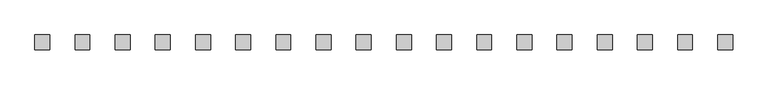
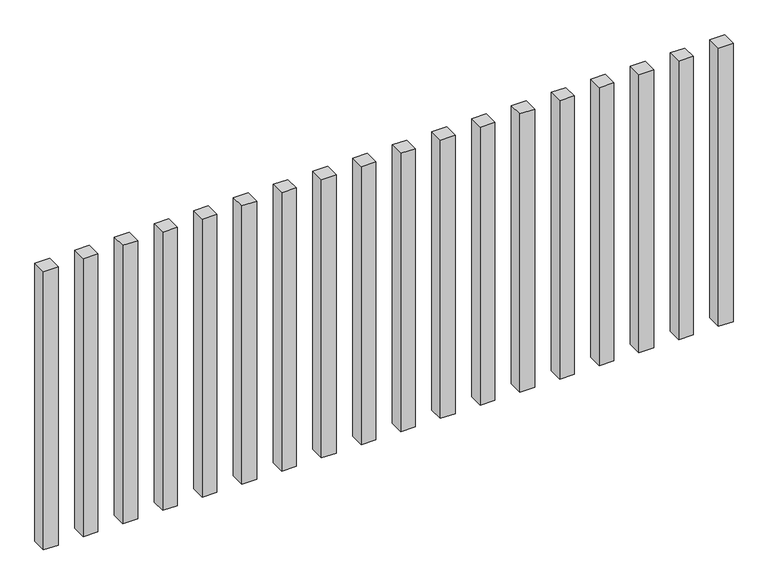
"""IFC4 building model written with IfcOpenShell, lengths in millimetres: railing geometry."""

import ifcopenshell
import ifcopenshell.guid

model = None  # the IFC model being written
_history = None  # IfcOwnerHistory: only IFC2X3 demands one
_inside = {}  # id of a spatial element -> (the spatial element, [elements in it])
_under = {}  # id of a project, library or spatial element -> (it, [spatial elements below it])
_declared = {}  # id of a project -> (the project, [libraries it declares])
_typed = {}  # id of a type object -> (the type object, [elements of that type])
_made_of = {}  # id of a material, layer set ... -> (it, [elements and type objects made of it])


def new_model(schema):
    """Start an empty IFC model of exactly this schema.

    Asked for "IFC4X3", IfcOpenShell would pick the latest addendum, in which some entities
    have other attributes; the version numbers below select the first issue.
    IFC2X3 requires an IfcOwnerHistory on every rooted entity: one is made here for all.
    """
    global model, _history
    if schema == "IFC4X3":
        model = ifcopenshell.file(schema_version=(4, 3, 0, 0))
    else:
        model = ifcopenshell.file(schema=schema)
    _inside.clear()
    _under.clear()
    _declared.clear()
    _typed.clear()
    _made_of.clear()
    _history = None
    if model.schema == "IFC2X3":
        org = make("IfcOrganization", Name="unknown")
        user = make(
            "IfcPersonAndOrganization",
            ThePerson=make("IfcPerson", FamilyName="unknown"),
            TheOrganization=org,
        )
        app = make(
            "IfcApplication",
            ApplicationDeveloper=org,
            Version="unknown",
            ApplicationFullName="unknown",
            ApplicationIdentifier="unknown",
        )
        _history = make(
            "IfcOwnerHistory",
            OwningUser=user,
            OwningApplication=app,
            ChangeAction="ADDED",
            CreationDate=0,
        )
    return model


def make(cls, **values):
    """One entity of the class cls with the attributes given. An attribute that is None is left unset."""
    return model.create_entity(
        cls, **{name: value for name, value in values.items() if value is not None}
    )


def rooted(cls, **values):
    """An entity with a GlobalId (a new one), such as an element, a storey or a relation."""
    return make(cls, GlobalId=ifcopenshell.guid.new(), OwnerHistory=_history, **values)


def si_unit(unit_type, name, prefix=None):
    """IfcSIUnit, for example si_unit("LENGTHUNIT", "METRE", prefix="MILLI")."""
    return make("IfcSIUnit", UnitType=unit_type, Prefix=prefix, Name=name)


def assignment(units):
    """IfcUnitAssignment: the units of a project."""
    return None if units is None else make("IfcUnitAssignment", Units=units)


def point(xyz):
    """IfcCartesianPoint."""
    return None if xyz is None else make("IfcCartesianPoint", Coordinates=xyz)


def direction(xyz):
    """IfcDirection."""
    return None if xyz is None else make("IfcDirection", DirectionRatios=xyz)


def frame(location, z_axis=None, x_axis=None):
    """IfcAxis2Placement3D, a coordinate frame: its origin and axes. An axis left out is left unset."""
    return make(
        "IfcAxis2Placement3D",
        Location=point(location),
        Axis=direction(z_axis),
        RefDirection=direction(x_axis),
    )


def origin():
    """The frame at (0, 0, 0) with its axes left unset."""
    return frame((0.0, 0.0, 0.0))


def origin_with_axes():
    """The frame at (0, 0, 0) with the z axis (0, 0, 1) and the x axis (1, 0, 0) written out."""
    return frame((0.0, 0.0, 0.0), z_axis=(0.0, 0.0, 1.0), x_axis=(1.0, 0.0, 0.0))


def place(relative_to, where):
    """IfcLocalPlacement: puts the frame where relative to a parent placement (None: the world)."""
    return make(
        "IfcLocalPlacement", PlacementRelTo=relative_to, RelativePlacement=where
    )


def context(
    kind, dimensions, precision=None, world=None, true_north=None, identifier=None
):
    """IfcGeometricRepresentationContext, for example the 3D "Model" context."""
    return make(
        "IfcGeometricRepresentationContext",
        ContextIdentifier=identifier,
        ContextType=kind,
        CoordinateSpaceDimension=dimensions,
        Precision=precision,
        WorldCoordinateSystem=world,
        TrueNorth=true_north,
    )


def project(units=None, contexts=None):
    """IfcProject with its units and contexts."""
    return rooted(
        "IfcProject",
        Name="project",
        RepresentationContexts=contexts,
        UnitsInContext=assignment(units),
    )


def spatial(cls, under=None, at=None, **own):
    """A site, building, storey or space (cls), placed at a placement, below another one or the project."""
    s = rooted(cls, ObjectPlacement=at, **own)
    if under is not None:
        _under.setdefault(under.id(), (under, []))[1].append(s)
    return s


def polyline(points):
    """IfcPolyline through the points."""
    return make("IfcPolyline", Points=[point(p) for p in points])


def outline(outer, holes=None, kind="AREA"):
    """IfcArbitraryClosedProfileDef: a profile drawn as a closed curve; with holes, ...WithVoids."""
    if holes is None:
        return make("IfcArbitraryClosedProfileDef", ProfileType=kind, OuterCurve=outer)
    return make(
        "IfcArbitraryProfileDefWithVoids",
        ProfileType=kind,
        OuterCurve=outer,
        InnerCurves=holes,
    )


def extrude(swept, where, along, depth):
    """IfcExtrudedAreaSolid: the profile swept, set in the frame where, extruded along a direction by depth."""
    return make(
        "IfcExtrudedAreaSolid",
        SweptArea=swept,
        Position=where,
        ExtrudedDirection=direction(along),
        Depth=depth,
    )


def shape(context_of_items, identifier, shape_type, items):
    """IfcShapeRepresentation: the items that make up one representation, for example the "Body"."""
    return make(
        "IfcShapeRepresentation",
        ContextOfItems=context_of_items,
        RepresentationIdentifier=identifier,
        RepresentationType=shape_type,
        Items=items,
    )


def source(mapping_origin, context_of_items, identifier, shape_type, items):
    """IfcRepresentationMap: a shape defined once, which mapped items show again and again."""
    return make(
        "IfcRepresentationMap",
        MappingOrigin=mapping_origin,
        MappedRepresentation=shape(context_of_items, identifier, shape_type, items),
    )


def transform(
    local_origin,
    x_axis=None,
    y_axis=None,
    z_axis=None,
    scale=None,
    scale2=None,
    scale3=None,
    uniform=True,
):
    """IfcCartesianTransformationOperator3D, or its non-uniform kind. x_axis, y_axis, z_axis: its Axis1, 2, 3."""
    if uniform:
        return make(
            "IfcCartesianTransformationOperator3D",
            Axis1=direction(x_axis),
            Axis2=direction(y_axis),
            LocalOrigin=point(local_origin),
            Scale=scale,
            Axis3=direction(z_axis),
        )
    return make(
        "IfcCartesianTransformationOperator3DnonUniform",
        Axis1=direction(x_axis),
        Axis2=direction(y_axis),
        LocalOrigin=point(local_origin),
        Scale=scale,
        Axis3=direction(z_axis),
        Scale2=scale2,
        Scale3=scale3,
    )


def mapped(mapping_source, mapping_target):
    """IfcMappedItem: shows the shape of a source again, moved by a transform."""
    return make(
        "IfcMappedItem", MappingSource=mapping_source, MappingTarget=mapping_target
    )


def made_of(thing, what):
    """Note that an element or type object is made of a material, layer set ...; save() writes the relation."""
    if what is not None:
        _made_of.setdefault(what.id(), (what, []))[1].append(thing)
    return thing


def element(
    cls,
    number,
    at=None,
    inside=None,
    cuts=None,
    type_object=None,
    material=None,
    context=None,
    identifier="Body",
    shape_type=None,
    held_by="IfcProductDefinitionShape",
    body=None,
    shapes=None,
    **own,
):
    """One element of the class cls, such as IfcWall. Its Tag is "e" and its number.

    at: its placement. inside: the storey or other place that contains it. cuts: it is an
    opening in that element (IfcRelVoidsElement). A single representation is given by context,
    identifier, shape_type and body (its items); several are given by shapes. held_by: the class
    of the entity that holds the representations. save() writes the other relations.
    """
    e = rooted(cls, Tag="e%d" % number, ObjectPlacement=at, **own)
    if body is not None:
        shapes = [shape(context, identifier, shape_type, body)]
    if shapes is not None:
        e.Representation = make(held_by, Representations=shapes)
    if inside is not None:
        _inside.setdefault(inside.id(), (inside, []))[1].append(e)
    if cuts is not None:
        rooted(
            "IfcRelVoidsElement", RelatingBuildingElement=cuts, RelatedOpeningElement=e
        )
    if type_object is not None:
        _typed.setdefault(type_object.id(), (type_object, []))[1].append(e)
    return made_of(e, material)


def aggregate(whole, parts):
    """IfcRelAggregates: a whole, such as a stair, and the parts it consists of."""
    return rooted("IfcRelAggregates", RelatingObject=whole, RelatedObjects=parts)


def save(model, path):
    """Write the relations noted so far, then the file.

    IfcRelAggregates (storeys below a building ...), IfcRelContainedInSpatialStructure (elements
    in a storey), IfcRelDefinesByType, IfcRelAssociatesMaterial and IfcRelDeclares: one each for
    every whole, place, type object, material and project.
    """
    for whole, parts in _under.values():
        aggregate(whole, parts)
    for where, things in _inside.values():
        rooted(
            "IfcRelContainedInSpatialStructure",
            RelatedElements=things,
            RelatingStructure=where,
        )
    for kind, things in _typed.values():
        rooted("IfcRelDefinesByType", RelatedObjects=things, RelatingType=kind)
    for what, things in _made_of.values():
        rooted("IfcRelAssociatesMaterial", RelatedObjects=things, RelatingMaterial=what)
    for by, libraries in _declared.values():
        rooted("IfcRelDeclares", RelatingContext=by, RelatedDefinitions=libraries)
    model.write(path)


def railing_c1127825(model_context):
    return source(origin(), model_context, "Body", "SweptSolid", [
        extrude(outline(polyline([(-10707.5700772, -95954.0267127), (-10707.5700772, -95904.0267127), (-10657.5700772, -95904.0267127), (-10657.5700772, -95954.0267127), (-10707.5700772, -95954.0267127)])), origin_with_axes(), (0.0, 0.0, 1.0), 1000.0),
        extrude(outline(polyline([(-10842.5700772, -95954.0267127), (-10842.5700772, -95904.0267127), (-10792.5700772, -95904.0267127), (-10792.5700772, -95954.0267127), (-10842.5700772, -95954.0267127)])), origin_with_axes(), (0.0, 0.0, 1.0), 1000.0),
        extrude(outline(polyline([(-10977.5700772, -95954.0267127), (-10977.5700772, -95904.0267127), (-10927.5700772, -95904.0267127), (-10927.5700772, -95954.0267127), (-10977.5700772, -95954.0267127)])), origin_with_axes(), (0.0, 0.0, 1.0), 1000.0),
        extrude(outline(polyline([(-11112.5700772, -95954.0267127), (-11112.5700772, -95904.0267127), (-11062.5700772, -95904.0267127), (-11062.5700772, -95954.0267127), (-11112.5700772, -95954.0267127)])), origin_with_axes(), (0.0, 0.0, 1.0), 1000.0),
        extrude(outline(polyline([(-11247.5700772, -95954.0267127), (-11247.5700772, -95904.0267127), (-11197.5700772, -95904.0267127), (-11197.5700772, -95954.0267127), (-11247.5700772, -95954.0267127)])), origin_with_axes(), (0.0, 0.0, 1.0), 1000.0),
        extrude(outline(polyline([(-11382.5700772, -95954.0267127), (-11382.5700772, -95904.0267127), (-11332.5700772, -95904.0267127), (-11332.5700772, -95954.0267127), (-11382.5700772, -95954.0267127)])), origin_with_axes(), (0.0, 0.0, 1.0), 1000.0),
        extrude(outline(polyline([(-11517.5700772, -95954.0267127), (-11517.5700772, -95904.0267127), (-11467.5700772, -95904.0267127), (-11467.5700772, -95954.0267127), (-11517.5700772, -95954.0267127)])), origin_with_axes(), (0.0, 0.0, 1.0), 1000.0),
        extrude(outline(polyline([(-11652.5700772, -95954.0267127), (-11652.5700772, -95904.0267127), (-11602.5700772, -95904.0267127), (-11602.5700772, -95954.0267127), (-11652.5700772, -95954.0267127)])), origin_with_axes(), (0.0, 0.0, 1.0), 1000.0),
        extrude(outline(polyline([(-11787.5700772, -95954.0267127), (-11787.5700772, -95904.0267127), (-11737.5700772, -95904.0267127), (-11737.5700772, -95954.0267127), (-11787.5700772, -95954.0267127)])), origin_with_axes(), (0.0, 0.0, 1.0), 1000.0),
        extrude(outline(polyline([(-11922.5700772, -95954.0267127), (-11922.5700772, -95904.0267127), (-11872.5700772, -95904.0267127), (-11872.5700772, -95954.0267127), (-11922.5700772, -95954.0267127)])), origin_with_axes(), (0.0, 0.0, 1.0), 1000.0),
        extrude(outline(polyline([(-12057.5700772, -95954.0267127), (-12057.5700772, -95904.0267127), (-12007.5700772, -95904.0267127), (-12007.5700772, -95954.0267127), (-12057.5700772, -95954.0267127)])), origin_with_axes(), (0.0, 0.0, 1.0), 1000.0),
        extrude(outline(polyline([(-12192.5700772, -95954.0267127), (-12192.5700772, -95904.0267127), (-12142.5700772, -95904.0267127), (-12142.5700772, -95954.0267127), (-12192.5700772, -95954.0267127)])), origin_with_axes(), (0.0, 0.0, 1.0), 1000.0),
        extrude(outline(polyline([(-12327.5700772, -95954.0267127), (-12327.5700772, -95904.0267127), (-12277.5700772, -95904.0267127), (-12277.5700772, -95954.0267127), (-12327.5700772, -95954.0267127)])), origin_with_axes(), (0.0, 0.0, 1.0), 1000.0),
        extrude(outline(polyline([(-12462.5700772, -95954.0267127), (-12462.5700772, -95904.0267127), (-12412.5700772, -95904.0267127), (-12412.5700772, -95954.0267127), (-12462.5700772, -95954.0267127)])), origin_with_axes(), (0.0, 0.0, 1.0), 1000.0),
        extrude(outline(polyline([(-12597.5700772, -95954.0267127), (-12597.5700772, -95904.0267127), (-12547.5700772, -95904.0267127), (-12547.5700772, -95954.0267127), (-12597.5700772, -95954.0267127)])), origin_with_axes(), (0.0, 0.0, 1.0), 1000.0),
        extrude(outline(polyline([(-12732.5700772, -95954.0267127), (-12732.5700772, -95904.0267127), (-12682.5700772, -95904.0267127), (-12682.5700772, -95954.0267127), (-12732.5700772, -95954.0267127)])), origin_with_axes(), (0.0, 0.0, 1.0), 1000.0),
        extrude(outline(polyline([(-12867.5700772, -95954.0267127), (-12867.5700772, -95904.0267127), (-12817.5700772, -95904.0267127), (-12817.5700772, -95954.0267127), (-12867.5700772, -95954.0267127)])), origin_with_axes(), (0.0, 0.0, 1.0), 1000.0),
        extrude(outline(polyline([(-13002.5700772, -95954.0267127), (-13002.5700772, -95904.0267127), (-12952.5700772, -95904.0267127), (-12952.5700772, -95954.0267127), (-13002.5700772, -95954.0267127)])), origin_with_axes(), (0.0, 0.0, 1.0), 1000.0),
    ])


if __name__ == "__main__":
    model = new_model("IFC4")
    model_context = context("Model", 3, world=origin())
    ifc_project = project(units=[si_unit("LENGTHUNIT", "METRE", prefix="MILLI")], contexts=[model_context])
    site = spatial("IfcSite", under=ifc_project)
    building = spatial("IfcBuilding", under=site)
    placement = place(None, origin())
    railing_shape = railing_c1127825(model_context)
    element("IfcRailing", 1, at=placement, inside=building, context=model_context, shape_type="MappedRepresentation", body=[
        mapped(railing_shape, transform((0.0, 0.0, 0.0), x_axis=(1.0, 0.0, 0.0), y_axis=(0.0, 1.0, 0.0), z_axis=(0.0, 0.0, 1.0))),
    ])
    save(model, "model.ifc")
